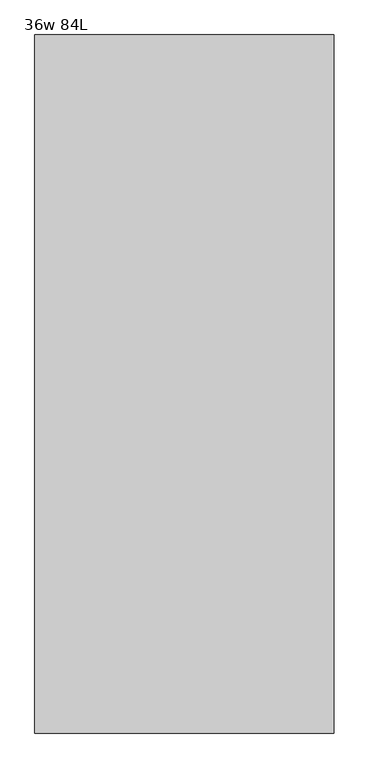
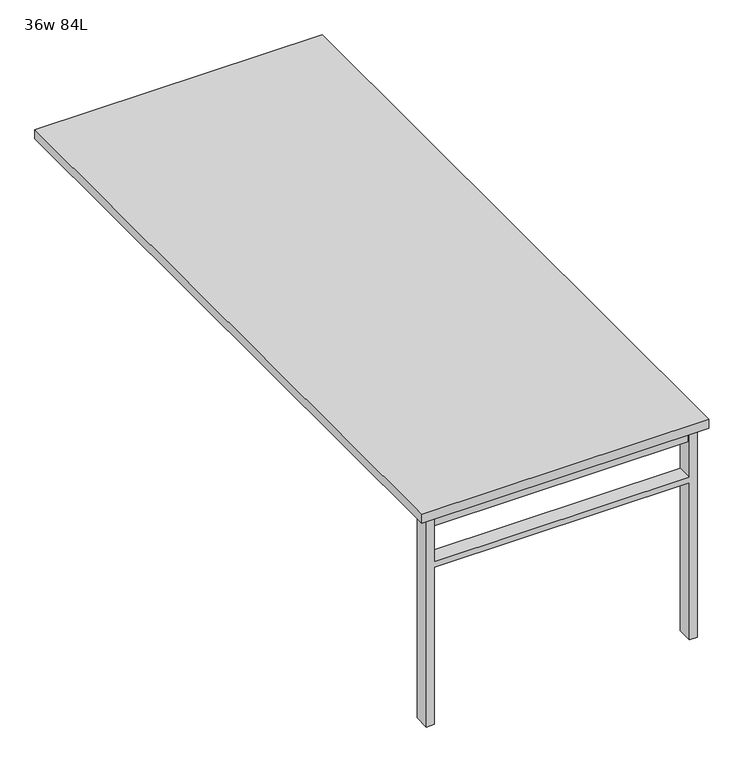
"""IFC4 building model written with IfcOpenShell, lengths in millimetres: furniture geometry, 36w 84L."""

from ifc_helpers import new_model, si_unit, frame, origin, place, context, project, spatial, polyline, outline, extrude, source, transform, mapped, element, save


def furniture_36w_84l_32a8509e(model_context):
    return source(origin(), model_context, "Body", "SweptSolid", [
        extrude(outline(polyline([(-406.4, -1006.475), (406.4, -1006.475), (406.4, -1038.225), (-406.4, -1038.225), (-406.4, -1006.475)])), frame((0.0, 0.0, 661.9875), z_axis=(0.0, 0.0, 1.0), x_axis=(1.0, 0.0, 0.0)), (0.0, 0.0, 1.0), 44.45),
        extrude(outline(polyline([(528.6375, 406.4), (0.0, 406.4), (0.0, 431.8), (706.4375, 431.8), (706.4375, 406.4), (547.6875, 406.4), (547.6875, -406.4), (706.4375, -406.4), (706.4375, -431.8), (0.0, -431.8), (0.0, -406.4), (528.6375, -406.4), (528.6375, 406.4)])), frame((0.0, -1047.75, 0.0), z_axis=(0.0, 1.0, 0.0), x_axis=(0.0, 0.0, 1.0)), (0.0, 0.0, 1.0), 50.8),
        extrude(outline(polyline([(-457.2, -1066.8), (-457.2, 1066.8), (457.2, 1066.8), (457.2, -1066.8), (-457.2, -1066.8)])), frame((0.0, 0.0, 706.4375), z_axis=(0.0, 0.0, 1.0), x_axis=(1.0, 0.0, 0.0)), (0.0, 0.0, 1.0), 30.1625),
    ])


if __name__ == "__main__":
    model = new_model("IFC4")
    model_context = context("Model", 3, world=origin())
    ifc_project = project(units=[si_unit("LENGTHUNIT", "METRE", prefix="MILLI")], contexts=[model_context])
    site = spatial("IfcSite", under=ifc_project)
    building = spatial("IfcBuilding", under=site)
    placement = place(None, origin())
    furniture_36w_84l_shape = furniture_36w_84l_32a8509e(model_context)
    element("IfcFurniture", 1, ObjectType="36w 84L", at=placement, inside=building, context=model_context, shape_type="MappedRepresentation", body=[
        mapped(furniture_36w_84l_shape, transform((0.0, 0.0, 0.0), x_axis=(1.0, 0.0, 0.0), y_axis=(0.0, 1.0, 0.0), z_axis=(0.0, 0.0, 1.0))),
    ])
    save(model, "model.ifc")
